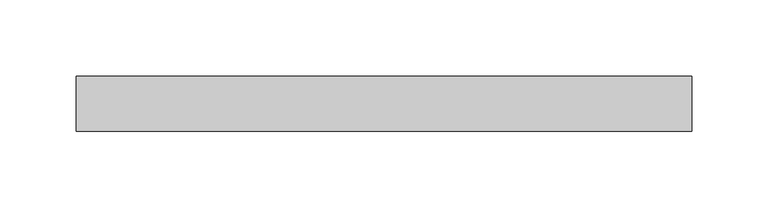
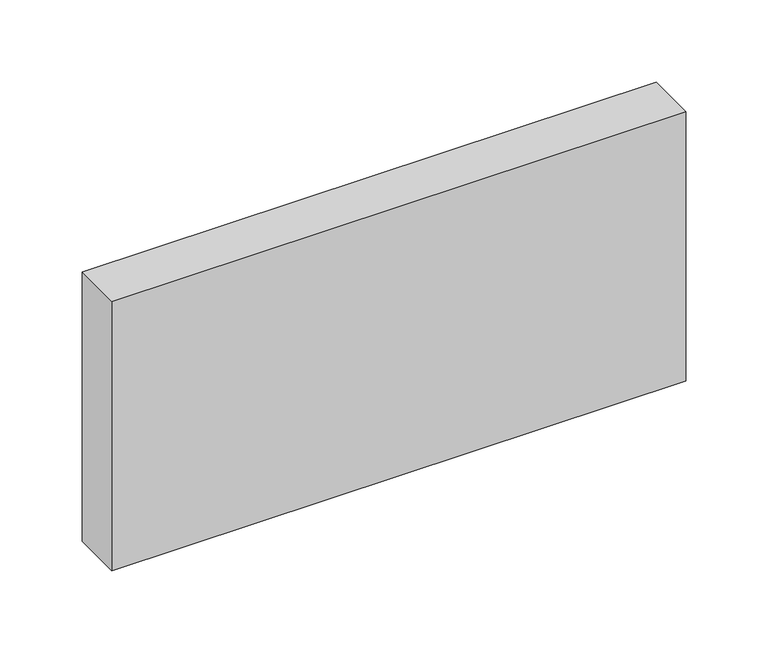
"""IFC4 building model written with IfcOpenShell, lengths in millimetres: beam geometry."""

import ifcopenshell
import ifcopenshell.guid

model = None  # the IFC model being written
_history = None  # IfcOwnerHistory: only IFC2X3 demands one
_inside = {}  # id of a spatial element -> (the spatial element, [elements in it])
_under = {}  # id of a project, library or spatial element -> (it, [spatial elements below it])
_declared = {}  # id of a project -> (the project, [libraries it declares])
_typed = {}  # id of a type object -> (the type object, [elements of that type])
_made_of = {}  # id of a material, layer set ... -> (it, [elements and type objects made of it])


def new_model(schema):
    """Start an empty IFC model of exactly this schema.

    Asked for "IFC4X3", IfcOpenShell would pick the latest addendum, in which some entities
    have other attributes; the version numbers below select the first issue.
    IFC2X3 requires an IfcOwnerHistory on every rooted entity: one is made here for all.
    """
    global model, _history
    if schema == "IFC4X3":
        model = ifcopenshell.file(schema_version=(4, 3, 0, 0))
    else:
        model = ifcopenshell.file(schema=schema)
    _inside.clear()
    _under.clear()
    _declared.clear()
    _typed.clear()
    _made_of.clear()
    _history = None
    if model.schema == "IFC2X3":
        org = make("IfcOrganization", Name="unknown")
        user = make(
            "IfcPersonAndOrganization",
            ThePerson=make("IfcPerson", FamilyName="unknown"),
            TheOrganization=org,
        )
        app = make(
            "IfcApplication",
            ApplicationDeveloper=org,
            Version="unknown",
            ApplicationFullName="unknown",
            ApplicationIdentifier="unknown",
        )
        _history = make(
            "IfcOwnerHistory",
            OwningUser=user,
            OwningApplication=app,
            ChangeAction="ADDED",
            CreationDate=0,
        )
    return model


def make(cls, **values):
    """One entity of the class cls with the attributes given. An attribute that is None is left unset."""
    return model.create_entity(
        cls, **{name: value for name, value in values.items() if value is not None}
    )


def rooted(cls, **values):
    """An entity with a GlobalId (a new one), such as an element, a storey or a relation."""
    return make(cls, GlobalId=ifcopenshell.guid.new(), OwnerHistory=_history, **values)


def si_unit(unit_type, name, prefix=None):
    """IfcSIUnit, for example si_unit("LENGTHUNIT", "METRE", prefix="MILLI")."""
    return make("IfcSIUnit", UnitType=unit_type, Prefix=prefix, Name=name)


def assignment(units):
    """IfcUnitAssignment: the units of a project."""
    return None if units is None else make("IfcUnitAssignment", Units=units)


def point(xyz):
    """IfcCartesianPoint."""
    return None if xyz is None else make("IfcCartesianPoint", Coordinates=xyz)


def direction(xyz):
    """IfcDirection."""
    return None if xyz is None else make("IfcDirection", DirectionRatios=xyz)


def frame(location, z_axis=None, x_axis=None):
    """IfcAxis2Placement3D, a coordinate frame: its origin and axes. An axis left out is left unset."""
    return make(
        "IfcAxis2Placement3D",
        Location=point(location),
        Axis=direction(z_axis),
        RefDirection=direction(x_axis),
    )


def origin():
    """The frame at (0, 0, 0) with its axes left unset."""
    return frame((0.0, 0.0, 0.0))


def place(relative_to, where):
    """IfcLocalPlacement: puts the frame where relative to a parent placement (None: the world)."""
    return make(
        "IfcLocalPlacement", PlacementRelTo=relative_to, RelativePlacement=where
    )


def context(
    kind, dimensions, precision=None, world=None, true_north=None, identifier=None
):
    """IfcGeometricRepresentationContext, for example the 3D "Model" context."""
    return make(
        "IfcGeometricRepresentationContext",
        ContextIdentifier=identifier,
        ContextType=kind,
        CoordinateSpaceDimension=dimensions,
        Precision=precision,
        WorldCoordinateSystem=world,
        TrueNorth=true_north,
    )


def project(units=None, contexts=None):
    """IfcProject with its units and contexts."""
    return rooted(
        "IfcProject",
        Name="project",
        RepresentationContexts=contexts,
        UnitsInContext=assignment(units),
    )


def spatial(cls, under=None, at=None, **own):
    """A site, building, storey or space (cls), placed at a placement, below another one or the project."""
    s = rooted(cls, ObjectPlacement=at, **own)
    if under is not None:
        _under.setdefault(under.id(), (under, []))[1].append(s)
    return s


def polyline(points):
    """IfcPolyline through the points."""
    return make("IfcPolyline", Points=[point(p) for p in points])


def outline(outer, holes=None, kind="AREA"):
    """IfcArbitraryClosedProfileDef: a profile drawn as a closed curve; with holes, ...WithVoids."""
    if holes is None:
        return make("IfcArbitraryClosedProfileDef", ProfileType=kind, OuterCurve=outer)
    return make(
        "IfcArbitraryProfileDefWithVoids",
        ProfileType=kind,
        OuterCurve=outer,
        InnerCurves=holes,
    )


def extrude(swept, where, along, depth):
    """IfcExtrudedAreaSolid: the profile swept, set in the frame where, extruded along a direction by depth."""
    return make(
        "IfcExtrudedAreaSolid",
        SweptArea=swept,
        Position=where,
        ExtrudedDirection=direction(along),
        Depth=depth,
    )


def shape(context_of_items, identifier, shape_type, items):
    """IfcShapeRepresentation: the items that make up one representation, for example the "Body"."""
    return make(
        "IfcShapeRepresentation",
        ContextOfItems=context_of_items,
        RepresentationIdentifier=identifier,
        RepresentationType=shape_type,
        Items=items,
    )


def source(mapping_origin, context_of_items, identifier, shape_type, items):
    """IfcRepresentationMap: a shape defined once, which mapped items show again and again."""
    return make(
        "IfcRepresentationMap",
        MappingOrigin=mapping_origin,
        MappedRepresentation=shape(context_of_items, identifier, shape_type, items),
    )


def transform(
    local_origin,
    x_axis=None,
    y_axis=None,
    z_axis=None,
    scale=None,
    scale2=None,
    scale3=None,
    uniform=True,
):
    """IfcCartesianTransformationOperator3D, or its non-uniform kind. x_axis, y_axis, z_axis: its Axis1, 2, 3."""
    if uniform:
        return make(
            "IfcCartesianTransformationOperator3D",
            Axis1=direction(x_axis),
            Axis2=direction(y_axis),
            LocalOrigin=point(local_origin),
            Scale=scale,
            Axis3=direction(z_axis),
        )
    return make(
        "IfcCartesianTransformationOperator3DnonUniform",
        Axis1=direction(x_axis),
        Axis2=direction(y_axis),
        LocalOrigin=point(local_origin),
        Scale=scale,
        Axis3=direction(z_axis),
        Scale2=scale2,
        Scale3=scale3,
    )


def mapped(mapping_source, mapping_target):
    """IfcMappedItem: shows the shape of a source again, moved by a transform."""
    return make(
        "IfcMappedItem", MappingSource=mapping_source, MappingTarget=mapping_target
    )


def made_of(thing, what):
    """Note that an element or type object is made of a material, layer set ...; save() writes the relation."""
    if what is not None:
        _made_of.setdefault(what.id(), (what, []))[1].append(thing)
    return thing


def element(
    cls,
    number,
    at=None,
    inside=None,
    cuts=None,
    type_object=None,
    material=None,
    context=None,
    identifier="Body",
    shape_type=None,
    held_by="IfcProductDefinitionShape",
    body=None,
    shapes=None,
    **own,
):
    """One element of the class cls, such as IfcWall. Its Tag is "e" and its number.

    at: its placement. inside: the storey or other place that contains it. cuts: it is an
    opening in that element (IfcRelVoidsElement). A single representation is given by context,
    identifier, shape_type and body (its items); several are given by shapes. held_by: the class
    of the entity that holds the representations. save() writes the other relations.
    """
    e = rooted(cls, Tag="e%d" % number, ObjectPlacement=at, **own)
    if body is not None:
        shapes = [shape(context, identifier, shape_type, body)]
    if shapes is not None:
        e.Representation = make(held_by, Representations=shapes)
    if inside is not None:
        _inside.setdefault(inside.id(), (inside, []))[1].append(e)
    if cuts is not None:
        rooted(
            "IfcRelVoidsElement", RelatingBuildingElement=cuts, RelatedOpeningElement=e
        )
    if type_object is not None:
        _typed.setdefault(type_object.id(), (type_object, []))[1].append(e)
    return made_of(e, material)


def aggregate(whole, parts):
    """IfcRelAggregates: a whole, such as a stair, and the parts it consists of."""
    return rooted("IfcRelAggregates", RelatingObject=whole, RelatedObjects=parts)


def save(model, path):
    """Write the relations noted so far, then the file.

    IfcRelAggregates (storeys below a building ...), IfcRelContainedInSpatialStructure (elements
    in a storey), IfcRelDefinesByType, IfcRelAssociatesMaterial and IfcRelDeclares: one each for
    every whole, place, type object, material and project.
    """
    for whole, parts in _under.values():
        aggregate(whole, parts)
    for where, things in _inside.values():
        rooted(
            "IfcRelContainedInSpatialStructure",
            RelatedElements=things,
            RelatingStructure=where,
        )
    for kind, things in _typed.values():
        rooted("IfcRelDefinesByType", RelatedObjects=things, RelatingType=kind)
    for what, things in _made_of.values():
        rooted("IfcRelAssociatesMaterial", RelatedObjects=things, RelatingMaterial=what)
    for by, libraries in _declared.values():
        rooted("IfcRelDeclares", RelatingContext=by, RelatedDefinitions=libraries)
    model.write(path)


def beam_59b93026(model_context):
    return source(origin(), model_context, "Body", "SweptSolid", [
        extrude(outline(polyline([(201.4, -18.0), (-201.4, -18.0), (-201.4, 18.0), (201.4, 18.0), (201.4, -18.0)])), frame((0.0, 0.0, -100.0), z_axis=(0.0, 0.0, 1.0), x_axis=(1.0, 0.0, 0.0)), (0.0, 0.0, 1.0), 200.0),
    ])


if __name__ == "__main__":
    model = new_model("IFC4")
    model_context = context("Model", 3, world=origin())
    ifc_project = project(units=[si_unit("LENGTHUNIT", "METRE", prefix="MILLI")], contexts=[model_context])
    site = spatial("IfcSite", under=ifc_project)
    building = spatial("IfcBuilding", under=site)
    placement = place(None, origin())
    beam_shape = beam_59b93026(model_context)
    element("IfcBeam", 1, at=placement, inside=building, context=model_context, shape_type="MappedRepresentation", body=[
        mapped(beam_shape, transform((0.0, 0.0, 0.0), x_axis=(1.0, 0.0, 0.0), y_axis=(0.0, 1.0, 0.0), z_axis=(0.0, 0.0, 1.0))),
    ])
    save(model, "model.ifc")
